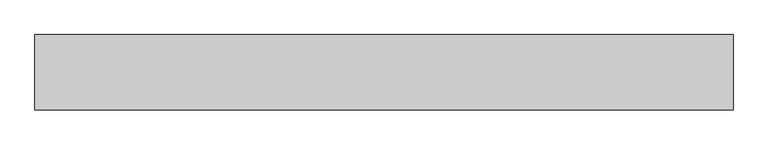
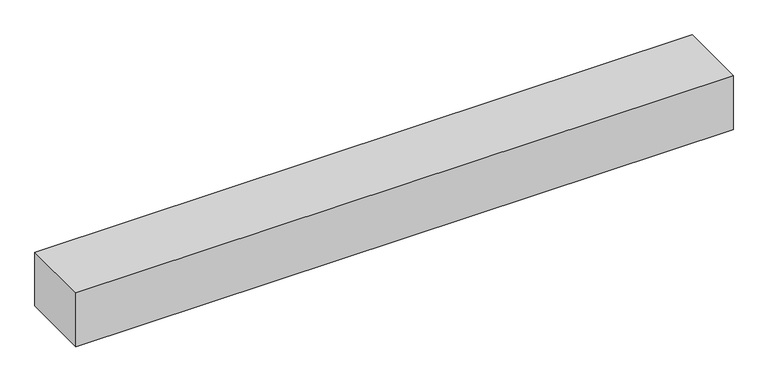
"""IFC4 building model written with IfcOpenShell, lengths in millimetres: geographic element geometry."""

from ifc_helpers import new_model, si_unit, origin, origin_with_axes, place, context, project, spatial, polyline, outline, extrude, source, transform, mapped, element, save


def geographic_element_a76cbde5(model_context):
    return source(origin(), model_context, "Body", "SweptSolid", [
        extrude(outline(polyline([(0.0, 0.0), (0.0, 500.0), (4619.0290358, 500.0), (4619.0290358, 0.0), (0.0, 0.0)])), origin_with_axes(), (0.0, 0.0, 1.0), 400.0),
    ])


if __name__ == "__main__":
    model = new_model("IFC4")
    model_context = context("Model", 3, world=origin())
    ifc_project = project(units=[si_unit("LENGTHUNIT", "METRE", prefix="MILLI")], contexts=[model_context])
    site = spatial("IfcSite", under=ifc_project)
    building = spatial("IfcBuilding", under=site)
    placement = place(None, origin())
    geographic_element_shape = geographic_element_a76cbde5(model_context)
    element("IfcGeographicElement", 1, at=placement, inside=building, context=model_context, shape_type="MappedRepresentation", body=[
        mapped(geographic_element_shape, transform((0.0, 0.0, 0.0), x_axis=(1.0, 0.0, 0.0), y_axis=(0.0, 1.0, 0.0), z_axis=(0.0, 0.0, 1.0))),
    ])
    save(model, "model.ifc")
